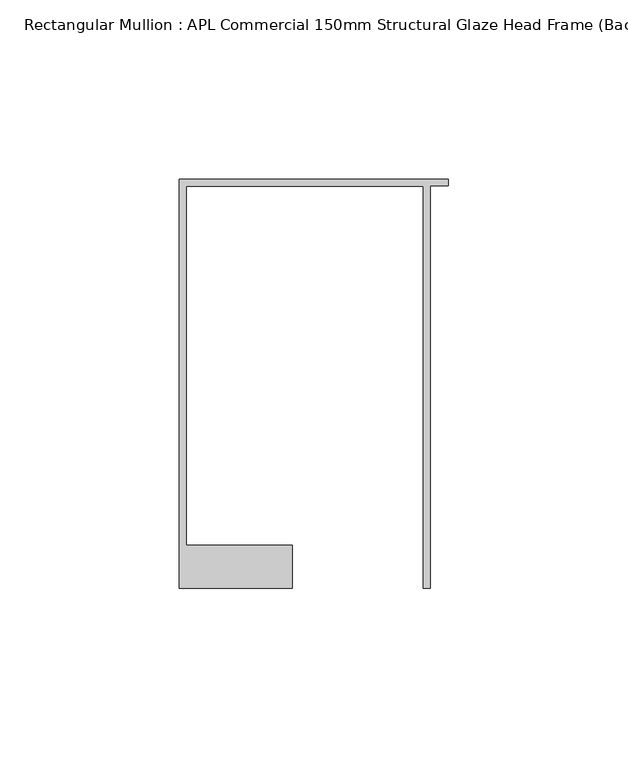
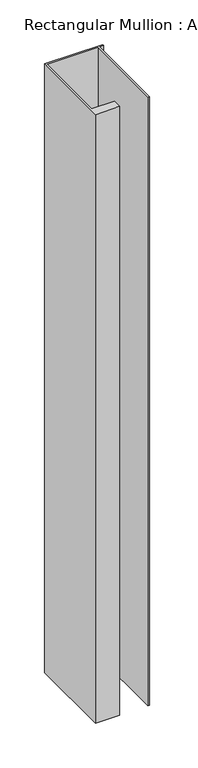
"""IFC4 building model written with IfcOpenShell, lengths in millimetres: member geometry, Rectangular Mullion : APL Commercial 150mm Structural Glaze Head Frame (Back)."""

import ifcopenshell
import ifcopenshell.guid

model = None  # the IFC model being written
_history = None  # IfcOwnerHistory: only IFC2X3 demands one
_inside = {}  # id of a spatial element -> (the spatial element, [elements in it])
_under = {}  # id of a project, library or spatial element -> (it, [spatial elements below it])
_declared = {}  # id of a project -> (the project, [libraries it declares])
_typed = {}  # id of a type object -> (the type object, [elements of that type])
_made_of = {}  # id of a material, layer set ... -> (it, [elements and type objects made of it])


def new_model(schema):
    """Start an empty IFC model of exactly this schema.

    Asked for "IFC4X3", IfcOpenShell would pick the latest addendum, in which some entities
    have other attributes; the version numbers below select the first issue.
    IFC2X3 requires an IfcOwnerHistory on every rooted entity: one is made here for all.
    """
    global model, _history
    if schema == "IFC4X3":
        model = ifcopenshell.file(schema_version=(4, 3, 0, 0))
    else:
        model = ifcopenshell.file(schema=schema)
    _inside.clear()
    _under.clear()
    _declared.clear()
    _typed.clear()
    _made_of.clear()
    _history = None
    if model.schema == "IFC2X3":
        org = make("IfcOrganization", Name="unknown")
        user = make(
            "IfcPersonAndOrganization",
            ThePerson=make("IfcPerson", FamilyName="unknown"),
            TheOrganization=org,
        )
        app = make(
            "IfcApplication",
            ApplicationDeveloper=org,
            Version="unknown",
            ApplicationFullName="unknown",
            ApplicationIdentifier="unknown",
        )
        _history = make(
            "IfcOwnerHistory",
            OwningUser=user,
            OwningApplication=app,
            ChangeAction="ADDED",
            CreationDate=0,
        )
    return model


def make(cls, **values):
    """One entity of the class cls with the attributes given. An attribute that is None is left unset."""
    return model.create_entity(
        cls, **{name: value for name, value in values.items() if value is not None}
    )


def rooted(cls, **values):
    """An entity with a GlobalId (a new one), such as an element, a storey or a relation."""
    return make(cls, GlobalId=ifcopenshell.guid.new(), OwnerHistory=_history, **values)


def si_unit(unit_type, name, prefix=None):
    """IfcSIUnit, for example si_unit("LENGTHUNIT", "METRE", prefix="MILLI")."""
    return make("IfcSIUnit", UnitType=unit_type, Prefix=prefix, Name=name)


def assignment(units):
    """IfcUnitAssignment: the units of a project."""
    return None if units is None else make("IfcUnitAssignment", Units=units)


def point(xyz):
    """IfcCartesianPoint."""
    return None if xyz is None else make("IfcCartesianPoint", Coordinates=xyz)


def direction(xyz):
    """IfcDirection."""
    return None if xyz is None else make("IfcDirection", DirectionRatios=xyz)


def frame(location, z_axis=None, x_axis=None):
    """IfcAxis2Placement3D, a coordinate frame: its origin and axes. An axis left out is left unset."""
    return make(
        "IfcAxis2Placement3D",
        Location=point(location),
        Axis=direction(z_axis),
        RefDirection=direction(x_axis),
    )


def origin():
    """The frame at (0, 0, 0) with its axes left unset."""
    return frame((0.0, 0.0, 0.0))


def place(relative_to, where):
    """IfcLocalPlacement: puts the frame where relative to a parent placement (None: the world)."""
    return make(
        "IfcLocalPlacement", PlacementRelTo=relative_to, RelativePlacement=where
    )


def context(
    kind, dimensions, precision=None, world=None, true_north=None, identifier=None
):
    """IfcGeometricRepresentationContext, for example the 3D "Model" context."""
    return make(
        "IfcGeometricRepresentationContext",
        ContextIdentifier=identifier,
        ContextType=kind,
        CoordinateSpaceDimension=dimensions,
        Precision=precision,
        WorldCoordinateSystem=world,
        TrueNorth=true_north,
    )


def project(units=None, contexts=None):
    """IfcProject with its units and contexts."""
    return rooted(
        "IfcProject",
        Name="project",
        RepresentationContexts=contexts,
        UnitsInContext=assignment(units),
    )


def spatial(cls, under=None, at=None, **own):
    """A site, building, storey or space (cls), placed at a placement, below another one or the project."""
    s = rooted(cls, ObjectPlacement=at, **own)
    if under is not None:
        _under.setdefault(under.id(), (under, []))[1].append(s)
    return s


def polyline(points):
    """IfcPolyline through the points."""
    return make("IfcPolyline", Points=[point(p) for p in points])


def outline(outer, holes=None, kind="AREA"):
    """IfcArbitraryClosedProfileDef: a profile drawn as a closed curve; with holes, ...WithVoids."""
    if holes is None:
        return make("IfcArbitraryClosedProfileDef", ProfileType=kind, OuterCurve=outer)
    return make(
        "IfcArbitraryProfileDefWithVoids",
        ProfileType=kind,
        OuterCurve=outer,
        InnerCurves=holes,
    )


def extrude(swept, where, along, depth):
    """IfcExtrudedAreaSolid: the profile swept, set in the frame where, extruded along a direction by depth."""
    return make(
        "IfcExtrudedAreaSolid",
        SweptArea=swept,
        Position=where,
        ExtrudedDirection=direction(along),
        Depth=depth,
    )


def shape(context_of_items, identifier, shape_type, items):
    """IfcShapeRepresentation: the items that make up one representation, for example the "Body"."""
    return make(
        "IfcShapeRepresentation",
        ContextOfItems=context_of_items,
        RepresentationIdentifier=identifier,
        RepresentationType=shape_type,
        Items=items,
    )


def source(mapping_origin, context_of_items, identifier, shape_type, items):
    """IfcRepresentationMap: a shape defined once, which mapped items show again and again."""
    return make(
        "IfcRepresentationMap",
        MappingOrigin=mapping_origin,
        MappedRepresentation=shape(context_of_items, identifier, shape_type, items),
    )


def transform(
    local_origin,
    x_axis=None,
    y_axis=None,
    z_axis=None,
    scale=None,
    scale2=None,
    scale3=None,
    uniform=True,
):
    """IfcCartesianTransformationOperator3D, or its non-uniform kind. x_axis, y_axis, z_axis: its Axis1, 2, 3."""
    if uniform:
        return make(
            "IfcCartesianTransformationOperator3D",
            Axis1=direction(x_axis),
            Axis2=direction(y_axis),
            LocalOrigin=point(local_origin),
            Scale=scale,
            Axis3=direction(z_axis),
        )
    return make(
        "IfcCartesianTransformationOperator3DnonUniform",
        Axis1=direction(x_axis),
        Axis2=direction(y_axis),
        LocalOrigin=point(local_origin),
        Scale=scale,
        Axis3=direction(z_axis),
        Scale2=scale2,
        Scale3=scale3,
    )


def mapped(mapping_source, mapping_target):
    """IfcMappedItem: shows the shape of a source again, moved by a transform."""
    return make(
        "IfcMappedItem", MappingSource=mapping_source, MappingTarget=mapping_target
    )


def made_of(thing, what):
    """Note that an element or type object is made of a material, layer set ...; save() writes the relation."""
    if what is not None:
        _made_of.setdefault(what.id(), (what, []))[1].append(thing)
    return thing


def element(
    cls,
    number,
    at=None,
    inside=None,
    cuts=None,
    type_object=None,
    material=None,
    context=None,
    identifier="Body",
    shape_type=None,
    held_by="IfcProductDefinitionShape",
    body=None,
    shapes=None,
    **own,
):
    """One element of the class cls, such as IfcWall. Its Tag is "e" and its number.

    at: its placement. inside: the storey or other place that contains it. cuts: it is an
    opening in that element (IfcRelVoidsElement). A single representation is given by context,
    identifier, shape_type and body (its items); several are given by shapes. held_by: the class
    of the entity that holds the representations. save() writes the other relations.
    """
    e = rooted(cls, Tag="e%d" % number, ObjectPlacement=at, **own)
    if body is not None:
        shapes = [shape(context, identifier, shape_type, body)]
    if shapes is not None:
        e.Representation = make(held_by, Representations=shapes)
    if inside is not None:
        _inside.setdefault(inside.id(), (inside, []))[1].append(e)
    if cuts is not None:
        rooted(
            "IfcRelVoidsElement", RelatingBuildingElement=cuts, RelatedOpeningElement=e
        )
    if type_object is not None:
        _typed.setdefault(type_object.id(), (type_object, []))[1].append(e)
    return made_of(e, material)


def aggregate(whole, parts):
    """IfcRelAggregates: a whole, such as a stair, and the parts it consists of."""
    return rooted("IfcRelAggregates", RelatingObject=whole, RelatedObjects=parts)


def save(model, path):
    """Write the relations noted so far, then the file.

    IfcRelAggregates (storeys below a building ...), IfcRelContainedInSpatialStructure (elements
    in a storey), IfcRelDefinesByType, IfcRelAssociatesMaterial and IfcRelDeclares: one each for
    every whole, place, type object, material and project.
    """
    for whole, parts in _under.values():
        aggregate(whole, parts)
    for where, things in _inside.values():
        rooted(
            "IfcRelContainedInSpatialStructure",
            RelatedElements=things,
            RelatingStructure=where,
        )
    for kind, things in _typed.values():
        rooted("IfcRelDefinesByType", RelatedObjects=things, RelatingType=kind)
    for what, things in _made_of.values():
        rooted("IfcRelAssociatesMaterial", RelatedObjects=things, RelatingMaterial=what)
    for by, libraries in _declared.values():
        rooted("IfcRelDeclares", RelatingContext=by, RelatedDefinitions=libraries)
    model.write(path)


def rectangular_mullion_apl_commercial_150mm_structural_glaze_7a3a0ed0(model_context):
    return source(origin(), model_context, "Body", "SweptSolid", [
        extrude(outline(polyline([(-75.0, 128.9993063), (0.0, 128.9993063), (0.0, 127.1993063), (-5.0, 127.1993063), (-5.0, 14.9998342), (-7.0, 14.9998342), (-7.0, 126.9993063), (-73.0, 126.9993063), (-73.0, 26.9997514), (-43.5000151, 26.9997514), (-43.5000151, 14.9998342), (-75.0, 14.9998342), (-75.0, 128.9993063)])), frame((0.0, 0.0, -831.6848401), z_axis=(0.0, 0.0, 1.0), x_axis=(1.0, 0.0, 0.0)), (0.0, 0.0, 1.0), 831.6848401),
    ])


if __name__ == "__main__":
    model = new_model("IFC4")
    model_context = context("Model", 3, world=origin())
    ifc_project = project(units=[si_unit("LENGTHUNIT", "METRE", prefix="MILLI")], contexts=[model_context])
    site = spatial("IfcSite", under=ifc_project)
    building = spatial("IfcBuilding", under=site)
    placement = place(None, origin())
    rectangular_mullion_apl_commercial_150mm_structural_glaze_shape = rectangular_mullion_apl_commercial_150mm_structural_glaze_7a3a0ed0(model_context)
    element("IfcMember", 1, ObjectType="Rectangular Mullion : APL Commercial 150mm Structural Glaze Head Frame (Back)", at=placement, inside=building, context=model_context, shape_type="MappedRepresentation", body=[
        mapped(rectangular_mullion_apl_commercial_150mm_structural_glaze_shape, transform((0.0, 0.0, 0.0), x_axis=(1.0, 0.0, 0.0), y_axis=(0.0, 1.0, 0.0), z_axis=(0.0, 0.0, 1.0))),
    ])
    save(model, "model.ifc")
